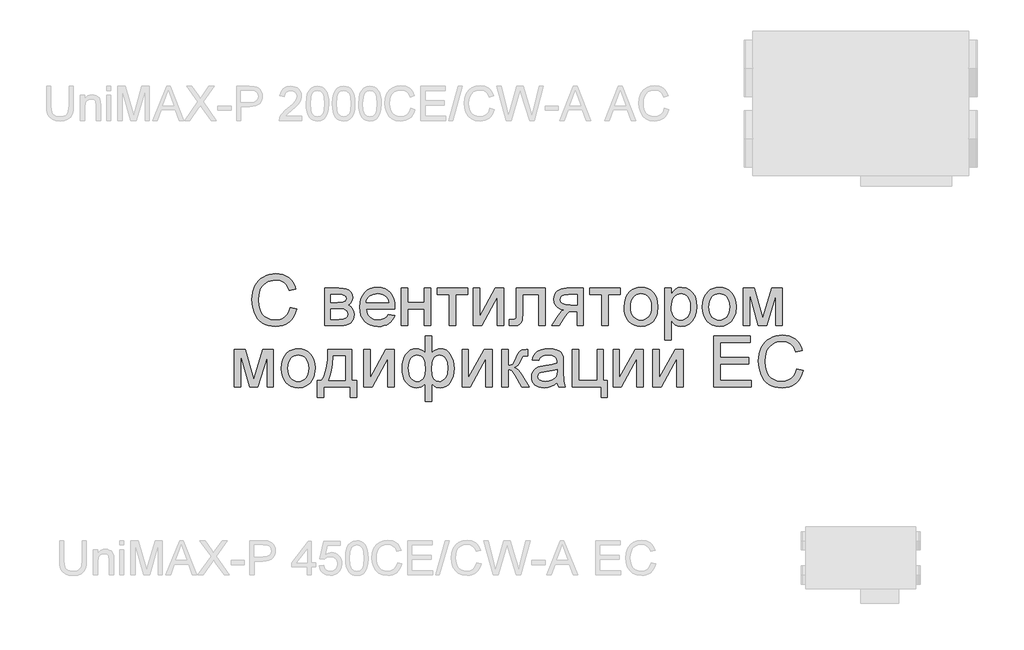
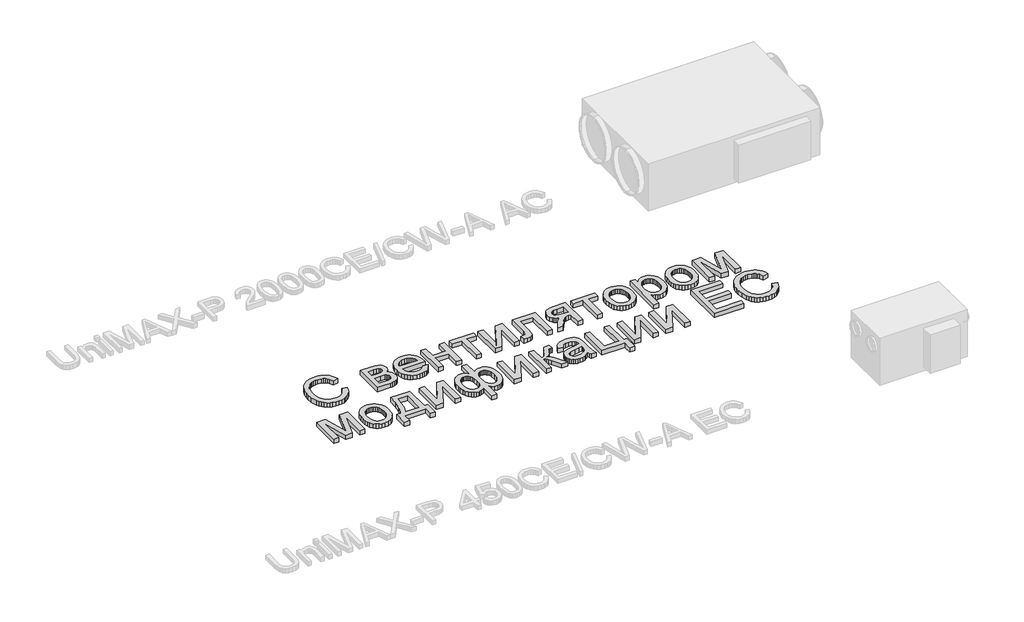
# One storey, part 10 of 74: 1 proxy.
"""IFC4 building model written with IfcOpenShell, lengths in millimetres."""

from ifc_helpers import new_model, si_unit, origin, origin_with_axes, place, context, project, spatial, polyline, outline, extrude, element, save

model = new_model("IFC4")

# Units and contexts
model_context = context("Model", 3, world=origin())
ifc_project = project(units=[si_unit("LENGTHUNIT", "METRE", prefix="MILLI")], contexts=[model_context])

# Site, building, storey
site = spatial("IfcSite", under=ifc_project)
building = spatial("IfcBuilding", under=site)
storey = spatial("IfcBuildingStorey", under=building, Elevation=0.0)

# Proxy
placement = place(None, origin())
element("IfcBuildingElementProxy", 1, Name="Generic Models", at=placement, inside=storey, context=model_context, shape_type="SweptSolid", body=[
    extrude(outline(polyline([(36462.4111042, -35678.9298031), (36518.6181221, -35693.4206749), (36507.4961035, -35728.3751002), (36492.6827549, -35758.9177687), (36474.1780763, -35785.0486803), (36451.9820677, -35806.7678349), (36426.5955972, -35823.8419516), (36398.5195331, -35836.0377492), (36367.7538754, -35843.3552278), (36334.2986241, -35845.7943874), (36300.0234583, -35843.9487223), (36269.1034234, -35838.4117273), (36241.5385193, -35829.1834022), (36217.3287461, -35816.2637471), (36196.1413351, -35799.8448758), (36177.6435177, -35780.1189021), (36161.8352939, -35757.0858261), (36148.7166637, -35730.7456477), (36131.0559138, -35672.699826), (36125.1689971, -35610.5372794), (36126.8328401, -35576.6360495), (36131.8243691, -35544.9715735), (36140.1435841, -35515.5438514), (36151.790485, -35488.3528832), (36166.5043461, -35463.848078), (36184.0244413, -35442.4788449), (36204.3507707, -35424.2451841), (36227.4833343, -35409.1470953), (36252.6365237, -35397.3080805), (36279.0247305, -35388.8516414), (36306.6479549, -35383.7777779), (36335.5061967, -35382.0864901), (36367.6543879, -35384.2752155), (36397.1335691, -35390.8413918), (36423.9437402, -35401.7850189), (36448.0849014, -35417.1060969), (36469.1591025, -35436.3998145), (36486.7683934, -35459.2613603), (36500.9127742, -35485.6907344), (36511.5922448, -35515.6879368), (36455.385227, -35529.0810153), (36435.8993956, -35488.0921573), (36423.4806087, -35472.4245883), (36409.2779076, -35459.9749259), (36393.208958, -35450.4893056), (36375.1914251, -35443.7138624), (36333.3106101, -35438.2935079), (36308.0956698, -35439.7961125), (36285.0351489, -35444.3039263), (36264.1290474, -35451.8169494), (36245.3773653, -35462.3351816), (36229.0168143, -35475.3851996), (36215.284106, -35490.4935802), (36204.1792405, -35507.6603232), (36195.7022177, -35526.8854286), (36184.9575656, -35568.0252332), (36181.3760149, -35610.4275001), (36185.6162416, -35662.353124), (36198.3369217, -35707.2528707), (36207.9975029, -35726.6392146), (36220.0183397, -35743.4114381), (36234.3994322, -35757.5695413), (36251.1407803, -35769.1135241), (36288.4520306, -35784.4689082), (36328.6998781, -35789.5873695), (36353.1360713, -35787.8446226), (36375.61682, -35782.6163819), (36396.1421245, -35773.9026475), (36414.7119846, -35761.7034192), (36430.887283, -35746.0735869), (36444.2289024, -35727.0680401), (36454.7368428, -35704.6867788), (36462.4111042, -35678.9298031)])), origin_with_axes(), (0.0, 0.0, 1.0), 50.0),
    extrude(outline(polyline([(36764.5238252, -35508.5522802), (36888.3549114, -35508.5522802), (36928.1636415, -35510.4322513), (36956.253428, -35516.0721645), (36976.9193872, -35526.7207596), (36994.4566355, -35543.6267767), (37006.4363051, -35565.6512552), (37010.4295283, -35591.6552344), (37008.014383, -35612.6093643), (37000.7689471, -35630.6817868), (36988.6657757, -35645.9548363), (36971.6774242, -35658.5108474), (36992.4806075, -35670.1886238), (37009.4415143, -35688.974612), (37020.7213406, -35713.3867909), (37024.4812827, -35741.9431395), (37021.359433, -35764.9487707), (37014.9579257, -35784.7845237), (37005.2767609, -35801.4503985), (36992.3159385, -35814.9463951), (36976.054875, -35825.3685704), (36956.4729867, -35832.8129814), (36933.5702736, -35837.2796279), (36907.3467358, -35838.7685101), (36764.5238252, -35838.7685101), (36764.5238252, -35508.5522802)]), holes=[polyline([(36820.730843, -35635.0180704), (36876.2791849, -35635.0180704), (36922.1120559, -35632.1638078), (36944.3972602, -35620.7467573), (36951.7661979, -35611.3057348), (36954.2225104, -35600.1082429), (36949.9136716, -35583.33945), (36936.9871553, -35572.5536306), (36913.6316025, -35566.7078812), (36878.0356542, -35564.7592981), (36820.730843, -35564.7592981), (36820.730843, -35635.0180704)]), polyline([(36820.730843, -35782.5614923), (36889.6722633, -35782.5614923), (36927.2442396, -35780.0228452), (36950.8193511, -35772.4069041), (36963.4714191, -35758.5609859), (36968.2742649, -35737.3324076), (36965.872842, -35723.2669307), (36958.6685733, -35710.2718023), (36947.6083057, -35700.1034917), (36933.6388857, -35694.5184682), (36884.1832968, -35691.2250883), (36820.730843, -35691.2250883), (36820.730843, -35782.5614923)])]), origin_with_axes(), (0.0, 0.0, 1.0), 50.0),
    extrude(outline(polyline([(37325.9353277, -35740.4062289), (37381.0445522, -35747.4321061), (37372.5949743, -35769.504613), (37361.1882156, -35788.9561383), (37346.8242762, -35805.7866821), (37329.503156, -35819.9962444), (37309.4032464, -35831.2829319), (37286.702939, -35839.3448516), (37261.4022336, -35844.1820034), (37233.5011304, -35845.7943874), (37198.6256089, -35843.0121674), (37167.5511968, -35834.6655076), (37140.2778941, -35820.7544079), (37116.8057007, -35801.2788683), (37097.9305169, -35776.7809243), (37084.4482427, -35747.8026114), (37076.3588782, -35714.3439294), (37073.6624233, -35676.4048785), (37076.386323, -35637.179351), (37084.558022, -35602.6057227), (37098.1775204, -35572.6839936), (37117.244818, -35547.4141637), (37140.6552605, -35527.3382684), (37167.3041933, -35512.9983432), (37197.1916164, -35504.394388), (37230.3175297, -35501.526403), (37262.3765252, -35504.3875268), (37291.3685606, -35512.9708983), (37317.2936359, -35527.2765175), (37340.1517511, -35547.3043843), (37358.8108069, -35572.5193246), (37372.1387039, -35602.386164), (37380.1354421, -35636.9049027), (37382.8010215, -35676.0755405), (37382.4716835, -35691.2250883), (37129.8694412, -35691.2250883), (37133.1250845, -35713.654378), (37139.5986345, -35733.2980171), (37149.2900911, -35750.1560058), (37162.1994544, -35764.2283439), (37177.6131587, -35775.3229176), (37194.8176383, -35783.2476131), (37213.8128933, -35788.0024304), (37234.5989237, -35789.5873695), (37264.5137916, -35786.6507724), (37289.7081482, -35777.840981), (37310.1819936, -35762.6090987), (37325.9353277, -35740.4062289)]), holes=[polyline([(37129.8694412, -35635.0180704), (37326.5940037, -35635.0180704), (37318.991785, -35605.3227612), (37304.0892407, -35584.0804605), (37288.7613015, -35572.5536306), (37271.3201101, -35564.3201808), (37251.7656667, -35559.3801108), (37230.0979711, -35557.7334209), (37192.2103792, -35562.9891064), (37160.8821024, -35578.7561629), (37148.4255789, -35590.1560604), (37139.1046275, -35603.3330108), (37132.9192483, -35618.2870141), (37129.8694412, -35635.0180704)])]), origin_with_axes(), (0.0, 0.0, 1.0), 50.0),
    extrude(outline(polyline([(37439.0080394, -35508.5522802), (37495.2150572, -35508.5522802), (37495.2150572, -35635.0180704), (37642.7584791, -35635.0180704), (37642.7584791, -35508.5522802), (37698.9654969, -35508.5522802), (37698.9654969, -35838.7685101), (37642.7584791, -35838.7685101), (37642.7584791, -35691.2250883), (37495.2150572, -35691.2250883), (37495.2150572, -35838.7685101), (37439.0080394, -35838.7685101), (37439.0080394, -35508.5522802)])), origin_with_axes(), (0.0, 0.0, 1.0), 50.0),
    extrude(outline(polyline([(37755.1725148, -35508.5522802), (38022.1558496, -35508.5522802), (38022.1558496, -35564.7592981), (37916.7676911, -35564.7592981), (37916.7676911, -35838.7685101), (37860.5606733, -35838.7685101), (37860.5606733, -35564.7592981), (37755.1725148, -35564.7592981), (37755.1725148, -35508.5522802)])), origin_with_axes(), (0.0, 0.0, 1.0), 50.0),
    extrude(outline(polyline([(38071.3369902, -35508.5522802), (38127.5440081, -35508.5522802), (38127.5440081, -35760.3860673), (38265.6464074, -35508.5522802), (38338.320325, -35508.5522802), (38338.320325, -35838.7685101), (38282.1133072, -35838.7685101), (38282.1133072, -35588.4716337), (38144.8891425, -35838.7685101), (38071.3369902, -35838.7685101), (38071.3369902, -35508.5522802)])), origin_with_axes(), (0.0, 0.0, 1.0), 50.0),
    extrude(outline(polyline([(38450.7343607, -35508.5522802), (38703.6659411, -35508.5522802), (38703.6659411, -35838.4391721), (38647.4589232, -35838.4391721), (38647.4589232, -35564.7592981), (38506.9413786, -35564.7592981), (38506.9413786, -35722.2926391), (38503.1539916, -35794.9665568), (38496.0595023, -35811.4197341), (38482.3508083, -35825.64988), (38461.5476249, -35835.4888526), (38433.1696676, -35838.7685101), (38387.5014656, -35835.9142475), (38387.5014656, -35782.5614923), (38412.6409326, -35782.5614923), (38438.0548479, -35779.1034433), (38444.4083267, -35774.6299356), (38448.2094361, -35768.1255101), (38450.7343607, -35719.1090385), (38450.7343607, -35508.5522802)])), origin_with_axes(), (0.0, 0.0, 1.0), 50.0),
    extrude(outline(polyline([(39040.9080482, -35508.5522802), (39040.9080482, -35838.7685101), (38984.7010303, -35838.7685101), (38984.7010303, -35712.30272), (38954.0725968, -35712.30272), (38929.6466954, -35714.0866341), (38912.3564507, -35719.4383765), (38895.6974371, -35734.9995968), (38873.1652293, -35767.4119445), (38828.3752619, -35838.7685101), (38763.3858975, -35838.7685101), (38819.812474, -35748.5298994), (38844.7323823, -35716.1449966), (38856.451326, -35706.703974), (38867.6762627, -35701.7639041), (38847.0377483, -35697.2012006), (38829.2534966, -35689.9900708), (38814.3235075, -35680.1305145), (38802.247781, -35667.6225319), (38786.2748882, -35637.872333), (38780.9505906, -35603.9505195), (38782.7688108, -35583.7099552), (38788.2234713, -35565.4728637), (38797.3145722, -35549.2392451), (38810.0421135, -35535.0090992), (38826.2139813, -35523.4342409), (38845.6380618, -35515.166485), (38868.314355, -35510.2058314), (38894.242861, -35508.5522802), (39040.9080482, -35508.5522802)]), holes=[polyline([(38984.7010303, -35564.7592981), (38910.5999814, -35564.7592981), (38872.3281619, -35568.0115108), (38859.3982149, -35572.0767767), (38850.6055766, -35577.7681489), (38840.5196005, -35591.8885154), (38837.1576085, -35608.2319135), (38842.1114008, -35629.6526056), (38856.9727778, -35644.5139826), (38884.4313332, -35653.2002722), (38927.1766605, -35656.0957021), (38984.7010303, -35656.0957021), (38984.7010303, -35564.7592981)])]), origin_with_axes(), (0.0, 0.0, 1.0), 50.0),
    extrude(outline(polyline([(39097.115066, -35508.5522802), (39364.0984008, -35508.5522802), (39364.0984008, -35564.7592981), (39258.7102423, -35564.7592981), (39258.7102423, -35838.7685101), (39202.5032245, -35838.7685101), (39202.5032245, -35564.7592981), (39097.115066, -35564.7592981), (39097.115066, -35508.5522802)])), origin_with_axes(), (0.0, 0.0, 1.0), 50.0),
    extrude(outline(polyline([(39399.227787, -35673.6603952), (39402.2673022, -35630.8944843), (39411.385848, -35594.0429348), (39426.5834242, -35563.1057469), (39447.8600309, -35538.0829205), (39469.280723, -35522.0894441), (39492.9244466, -35510.6655324), (39518.7912017, -35503.8111853), (39546.8809882, -35501.526403), (39577.8902188, -35504.3086229), (39605.9285462, -35512.6552828), (39630.9959705, -35526.5663825), (39653.0924916, -35546.041922), (39671.1271775, -35570.4232255), (39684.0090959, -35599.0516168), (39691.738247, -35631.9270961), (39694.3146307, -35669.0496632), (39689.7587884, -35725.8330226), (39684.0639856, -35749.140547), (39676.0912616, -35769.0586345), (39653.7100004, -35801.4298149), (39623.0129547, -35825.64988), (39586.5524942, -35840.7582605), (39546.8809882, -35845.7943874), (39515.4189178, -35843.0224592), (39487.1198645, -35834.7066748), (39461.9838281, -35820.8470342), (39440.0108087, -35801.4435373), (39422.1682367, -35776.8255222), (39409.4235424, -35747.3223268), (39401.7767258, -35712.9339511), (39399.227787, -35673.6603952)]), holes=[polyline([(39455.4348048, -35673.5506158), (39457.0609112, -35700.8136268), (39461.9392302, -35724.4196137), (39470.069762, -35744.3685766), (39481.4525065, -35760.6605156), (39495.2984247, -35773.3160142), (39510.8184777, -35782.355656), (39528.0126655, -35787.7794411), (39546.8809882, -35789.5873695), (39565.6532539, -35787.7691493), (39582.7788296, -35782.3144888), (39598.2577154, -35773.2233879), (39612.0899112, -35760.4958466), (39623.4726557, -35744.0426692), (39631.6031874, -35723.7746601), (39636.4815065, -35699.6918192), (39638.1076128, -35671.7941465), (39636.4712147, -35645.3956479), (39631.5620202, -35622.4071697), (39623.3800294, -35602.828712), (39611.9252422, -35586.6602748), (39598.0415874, -35574.0047762), (39582.5729934, -35564.9651343), (39565.5194603, -35559.5413492), (39546.8809882, -35557.7334209), (39528.0126655, -35559.534488), (39510.8184777, -35564.9376895), (39495.2984247, -35573.9430253), (39481.4525065, -35586.5504954), (39470.069762, -35602.7944059), (39461.9392302, -35622.7090628), (39457.0609112, -35646.2944661), (39455.4348048, -35673.5506158)])]), origin_with_axes(), (0.0, 0.0, 1.0), 50.0),
    extrude(outline(polyline([(39757.5475258, -35965.2343003), (39757.5475258, -35508.5522802), (39813.7545436, -35508.5522802), (39813.7545436, -35563.6615048), (39832.087692, -35536.4773978), (39852.6164271, -35517.0601784), (39876.5483214, -35505.4098469), (39905.0909476, -35501.526403), (39943.1020413, -35506.9604799), (39976.3377339, -35523.2627107), (40003.3983392, -35549.4450813), (40022.8841706, -35584.5195778), (40034.6580039, -35625.9338307), (40038.582615, -35671.1354706), (40034.1502745, -35719.2050954), (40020.853253, -35762.1974262), (39999.1169453, -35797.9305987), (39969.3667464, -35824.2227487), (39934.7176448, -35840.4014777), (39898.2846291, -35845.7943874), (39872.4453189, -35842.1853918), (39849.3779368, -35831.3584052), (39829.6313795, -35815.0150072), (39813.7545436, -35794.8567774), (39813.7545436, -35965.2343003), (39757.5475258, -35965.2343003)]), holes=[polyline([(39813.7545436, -35676.2950991), (39815.2743013, -35703.3831492), (39819.8335741, -35726.6838124), (39827.4323622, -35746.1970886), (39838.0706656, -35761.9229779), (39850.8771108, -35774.0261492), (39864.9803243, -35782.6712716), (39880.3803062, -35787.858345), (39897.0770564, -35789.5873695), (39914.013949, -35787.7965942), (39929.6952404, -35782.4242681), (39944.1209307, -35773.4703914), (39957.2910199, -35760.9349639), (39968.2655225, -35744.6395944), (39976.1044529, -35724.4058913), (39980.8078111, -35700.2338547), (39982.3755972, -35672.1234845), (39980.8455478, -35645.2687155), (39976.2553994, -35622.0092196), (39968.6051523, -35602.3449968), (39957.8948062, -35586.2760471), (39945.0574856, -35573.7886481), (39931.0263148, -35564.8690774), (39915.8012937, -35559.517335), (39899.3824224, -35557.7334209), (39883.0150102, -35559.6305449), (39867.6150283, -35565.3219172), (39853.1824768, -35574.8075376), (39839.7173556, -35588.0874061), (39828.3586254, -35604.9831314), (39820.2452466, -35625.316322), (39815.3772194, -35649.0869779), (39813.7545436, -35676.2950991)])]), origin_with_axes(), (0.0, 0.0, 1.0), 50.0),
    extrude(outline(polyline([(40087.7637557, -35673.6603952), (40090.8032709, -35630.8944843), (40099.9218167, -35594.0429348), (40115.1193929, -35563.1057469), (40136.3959996, -35538.0829205), (40157.8166917, -35522.0894441), (40181.4604153, -35510.6655324), (40207.3271703, -35503.8111853), (40235.4169569, -35501.526403), (40266.4261875, -35504.3086229), (40294.4645149, -35512.6552828), (40319.5319392, -35526.5663825), (40341.6284603, -35546.041922), (40359.6631462, -35570.4232255), (40372.5450646, -35599.0516168), (40380.2742157, -35631.9270961), (40382.8505994, -35669.0496632), (40378.2947571, -35725.8330226), (40372.5999543, -35749.140547), (40364.6272303, -35769.0586345), (40342.2459691, -35801.4298149), (40311.5489234, -35825.64988), (40275.0884629, -35840.7582605), (40235.4169569, -35845.7943874), (40203.9548865, -35843.0224592), (40175.6558331, -35834.7066748), (40150.5197968, -35820.8470342), (40128.5467774, -35801.4435373), (40110.7042054, -35776.8255222), (40097.9595111, -35747.3223268), (40090.3126945, -35712.9339511), (40087.7637557, -35673.6603952)]), holes=[polyline([(40143.9707735, -35673.5506158), (40145.5968799, -35700.8136268), (40150.4751989, -35724.4196137), (40158.6057307, -35744.3685766), (40169.9884751, -35760.6605156), (40183.8343934, -35773.3160142), (40199.3544464, -35782.355656), (40216.5486342, -35787.7794411), (40235.4169569, -35789.5873695), (40254.1892226, -35787.7691493), (40271.3147983, -35782.3144888), (40286.7936841, -35773.2233879), (40300.6258799, -35760.4958466), (40312.0086244, -35744.0426692), (40320.1391561, -35723.7746601), (40325.0174752, -35699.6918192), (40326.6435815, -35671.7941465), (40325.0071834, -35645.3956479), (40320.0979889, -35622.4071697), (40311.9159981, -35602.828712), (40300.4612109, -35586.6602748), (40286.5775561, -35574.0047762), (40271.1089621, -35564.9651343), (40254.055429, -35559.5413492), (40235.4169569, -35557.7334209), (40216.5486342, -35559.534488), (40199.3544464, -35564.9376895), (40183.8343934, -35573.9430253), (40169.9884751, -35586.5504954), (40158.6057307, -35602.7944059), (40150.4751989, -35622.7090628), (40145.5968799, -35646.2944661), (40143.9707735, -35673.5506158)])]), origin_with_axes(), (0.0, 0.0, 1.0), 50.0),
    extrude(outline(polyline([(40446.0834945, -35508.5522802), (40542.7990857, -35508.5522802), (40617.339252, -35772.9009111), (40697.6977228, -35508.5522802), (40790.3514788, -35508.5522802), (40790.3514788, -35838.7685101), (40734.144461, -35838.7685101), (40734.144461, -35572.8829686), (40653.3468728, -35838.7685101), (40579.5751619, -35838.7685101), (40502.2905123, -35560.1485662), (40502.2905123, -35838.7685101), (40446.0834945, -35838.7685101), (40446.0834945, -35508.5522802)])), origin_with_axes(), (0.0, 0.0, 1.0), 50.0),
    extrude(outline(polyline([(35970.599698, -36048.9843634), (36067.3152893, -36048.9843634), (36141.8554555, -36313.3329943), (36222.2139263, -36048.9843634), (36314.8676823, -36048.9843634), (36314.8676823, -36379.2005933), (36258.6606645, -36379.2005933), (36258.6606645, -36113.3150518), (36177.8630763, -36379.2005933), (36104.0913654, -36379.2005933), (36026.8067158, -36100.5806493), (36026.8067158, -36379.2005933), (35970.599698, -36379.2005933), (35970.599698, -36048.9843634)])), origin_with_axes(), (0.0, 0.0, 1.0), 50.0),
    extrude(outline(polyline([(36385.1264547, -36214.0924784), (36388.1659699, -36171.3265674), (36397.2845156, -36134.475018), (36412.4820919, -36103.5378301), (36433.7586986, -36078.5150037), (36455.1793907, -36062.5215273), (36478.8231143, -36051.0976156), (36504.6898693, -36044.2432685), (36532.7796558, -36041.9584862), (36563.7888865, -36044.7407061), (36591.8272139, -36053.0873659), (36616.8946382, -36066.9984656), (36638.9911593, -36086.4740052), (36657.0258451, -36110.8553087), (36669.9077636, -36139.4837), (36677.6369147, -36172.3591793), (36680.2132984, -36209.4817464), (36675.6574561, -36266.2651058), (36669.9626533, -36289.5726301), (36661.9899293, -36309.4907176), (36639.608668, -36341.8618981), (36608.9116224, -36366.0819632), (36572.4511619, -36381.1903437), (36532.7796558, -36386.2264705), (36501.3175855, -36383.4545424), (36473.0185321, -36375.138758), (36447.8824958, -36361.2791174), (36425.9094764, -36341.8756205), (36408.0669044, -36317.2576054), (36395.3222101, -36287.75441), (36387.6753935, -36253.3660343), (36385.1264547, -36214.0924784)]), holes=[polyline([(36441.3334725, -36213.982699), (36442.9595789, -36241.2457099), (36447.8378979, -36264.8516969), (36455.9684297, -36284.8006598), (36467.3511741, -36301.0925988), (36481.1970923, -36313.7480974), (36496.7171454, -36322.7877392), (36513.9113332, -36328.2115243), (36532.7796558, -36330.0194527), (36551.5519216, -36328.2012325), (36568.6774973, -36322.746572), (36584.1563831, -36313.655471), (36597.9885789, -36300.9279298), (36609.3713234, -36284.4747524), (36617.5018551, -36264.2067433), (36622.3801742, -36240.1239024), (36624.0062805, -36212.2262297), (36622.3698824, -36185.827731), (36617.4606879, -36162.8392529), (36609.2786971, -36143.2607952), (36597.8239099, -36127.092358), (36583.940255, -36114.4368594), (36568.4716611, -36105.3972175), (36551.418128, -36099.9734324), (36532.7796558, -36098.165504), (36513.9113332, -36099.9665712), (36496.7171454, -36105.3697727), (36481.1970923, -36114.3751085), (36467.3511741, -36126.9825786), (36455.9684297, -36143.2264891), (36447.8378979, -36163.141146), (36442.9595789, -36186.7265493), (36441.3334725, -36213.982699)])]), origin_with_axes(), (0.0, 0.0, 1.0), 50.0),
    extrude(outline(polyline([(36792.6273341, -36048.9843634), (37003.403651, -36048.9843634), (37003.403651, -36322.9935754), (37045.5589144, -36322.9935754), (37045.5589144, -36470.5369973), (36989.3518966, -36470.5369973), (36989.3518966, -36379.2005933), (36757.4979479, -36379.2005933), (36757.4979479, -36470.5369973), (36701.2909301, -36470.5369973), (36701.2909301, -36322.9935754), (36736.4203162, -36322.9935754), (36750.1461633, -36301.7821502), (36761.9577333, -36276.8450889), (36779.8380419, -36215.794058), (36790.0612422, -36139.8404829), (36792.6273341, -36048.9843634)]), holes=[polyline([(36841.8084747, -36105.1913813), (36837.1977428, -36174.0092999), (36828.6349549, -36233.2489717), (36816.1201111, -36282.9103969), (36799.6532113, -36322.9935754), (36947.1966332, -36322.9935754), (36947.1966332, -36105.1913813), (36841.8084747, -36105.1913813)])]), origin_with_axes(), (0.0, 0.0, 1.0), 50.0),
    extrude(outline(polyline([(37108.7918095, -36048.9843634), (37164.9988274, -36048.9843634), (37164.9988274, -36300.8181504), (37303.1012267, -36048.9843634), (37375.7751443, -36048.9843634), (37375.7751443, -36379.2005933), (37319.5681264, -36379.2005933), (37319.5681264, -36128.9037169), (37182.3439618, -36379.2005933), (37108.7918095, -36379.2005933), (37108.7918095, -36048.9843634)])), origin_with_axes(), (0.0, 0.0, 1.0), 50.0),
    extrude(outline(polyline([(37649.7843563, -35929.5444505), (37705.9913742, -35929.5444505), (37705.9913742, -36080.7105903), (37723.0483378, -36063.6536266), (37741.7245467, -36051.5641777), (37761.9376661, -36044.3599091), (37783.6053617, -36041.9584862), (37809.6264939, -36045.0117238), (37832.8002248, -36054.1714368), (37853.1265542, -36069.4376252), (37870.6054821, -36090.8102888), (37884.653806, -36116.814268), (37894.688323, -36145.974403), (37900.7090333, -36178.2906938), (37902.7159367, -36213.7631404), (37900.5546561, -36250.5495083), (37894.0708143, -36283.6239626), (37883.2644113, -36312.9865032), (37868.1354472, -36338.6371302), (37849.7954376, -36359.4574666), (37829.3558982, -36374.3291355), (37806.8168292, -36383.2521368), (37782.1782304, -36386.2264705), (37747.8172996, -36380.7375039), (37728.6333614, -36370.5005813), (37705.9913742, -36350.7677464), (37705.9913742, -36505.6663835), (37649.7843563, -36505.6663835), (37649.7843563, -36350.7677464), (37632.6862254, -36366.2466322), (37613.8865148, -36377.3343447), (37593.4401143, -36384.0034391), (37571.4019135, -36386.2264705), (37547.0583466, -36383.3859303), (37524.3065801, -36374.8643097), (37503.146614, -36360.6616087), (37483.5784481, -36340.7778272), (37467.1527156, -36315.6040542), (37455.4200495, -36285.5313785), (37448.3804498, -36250.5598001), (37446.0339166, -36210.6893191), (37448.1574606, -36176.2940822), (37454.5280924, -36144.7942752), (37465.1458121, -36116.1898981), (37480.0106198, -36090.4809508), (37498.4638393, -36069.2523725), (37519.8467948, -36054.0891023), (37544.1594862, -36044.9911402), (37571.4019135, -36041.9584862), (37594.3046265, -36044.3599091), (37614.9294185, -36051.5641777), (37633.3860686, -36063.6536266), (37649.7843563, -36080.7105903), (37649.7843563, -35929.5444505)]), holes=[polyline([(37705.6620362, -36215.0804923), (37710.3413802, -36271.9873534), (37716.1905602, -36292.0735405), (37724.3794122, -36306.5815654), (37745.4707664, -36324.1599808), (37771.3100766, -36330.0194527), (37786.3258308, -36328.2183855), (37800.1957632, -36322.815184), (37812.9198739, -36313.8098482), (37824.4981628, -36301.2023781), (37834.1278686, -36284.8006598), (37841.0062298, -36264.4125795), (37846.5089188, -36211.6773331), (37841.4316247, -36161.6728475), (37835.0850071, -36142.1458488), (37826.1997424, -36126.269013), (37815.3247274, -36113.9737278), (37803.0088586, -36105.1913813), (37789.2521361, -36099.9219733), (37774.0545599, -36098.165504), (37758.0919589, -36099.994016), (37744.2357489, -36105.479552), (37732.4859298, -36114.622112), (37722.8425016, -36127.4216959), (37715.326048, -36143.8714427), (37709.9571525, -36163.964491), (37705.6620362, -36215.0804923)]), polyline([(37502.2409345, -36209.4817464), (37503.6474822, -36239.2936962), (37507.8671252, -36264.6184158), (37514.8998637, -36285.4559052), (37524.7456975, -36301.8061644), (37536.6773386, -36314.149478), (37549.9674989, -36322.9661306), (37564.6161785, -36328.2561222), (37580.6233773, -36330.0194527), (37596.9770672, -36328.266414), (37611.1283091, -36323.0072979), (37623.0771033, -36314.2421043), (37632.8234496, -36301.9708334), (37640.3879317, -36286.1934851), (37645.7911331, -36266.9100593), (37650.1136943, -36217.8249756), (37645.5715745, -36165.4739568), (37639.8939247, -36144.9074851), (37631.9452149, -36128.0803719), (37621.7048616, -36114.9926172), (37609.1522812, -36105.644221), (37594.2874735, -36100.0351833), (37577.1104387, -36098.165504), (37561.3022149, -36099.9905854), (37547.0309018, -36105.4658296), (37534.2964993, -36114.5912365), (37523.0990075, -36127.3668063), (37513.9736005, -36143.4494784), (37507.4554527, -36162.4961924), (37502.2409345, -36209.4817464)])]), origin_with_axes(), (0.0, 0.0, 1.0), 50.0),
    extrude(outline(polyline([(37972.974709, -36048.9843634), (38029.1817268, -36048.9843634), (38029.1817268, -36300.8181504), (38167.2841262, -36048.9843634), (38239.9580438, -36048.9843634), (38239.9580438, -36379.2005933), (38183.7510259, -36379.2005933), (38183.7510259, -36128.9037169), (38046.5268612, -36379.2005933), (37972.974709, -36379.2005933), (37972.974709, -36048.9843634)])), origin_with_axes(), (0.0, 0.0, 1.0), 50.0),
    extrude(outline(polyline([(38324.2685706, -36048.9843634), (38380.4755884, -36048.9843634), (38380.4755884, -36189.501908), (38403.3371342, -36186.9769834), (38418.1298992, -36179.4022095), (38431.2210845, -36159.6419298), (38448.9778914, -36120.5604877), (38463.2903718, -36088.6009798), (38474.6113654, -36069.7875468), (38485.1776261, -36059.5369017), (38497.2259077, -36053.2657574), (38538.3382675, -36048.9843634), (38549.096642, -36048.9843634), (38549.096642, -36105.5207193), (38533.9470942, -36105.1913813), (38516.3824011, -36106.6734022), (38506.5022612, -36111.1194652), (38487.1810989, -36148.1151), (38475.3112086, -36172.7742824), (38464.5116669, -36188.1296664), (38451.434204, -36198.3803115), (38432.7305503, -36207.7252771), (38450.5422469, -36215.6362502), (38468.1892745, -36229.598809), (38485.671633, -36249.6129534), (38502.9893226, -36275.6786835), (38563.1483964, -36379.2005933), (38499.2568254, -36379.2005933), (38440.3053242, -36277.8742701), (38424.3873211, -36250.9097217), (38410.6649046, -36235.0054411), (38396.805264, -36227.2248309), (38380.4755884, -36224.6312942), (38380.4755884, -36379.2005933), (38324.2685706, -36379.2005933), (38324.2685706, -36048.9843634)])), origin_with_axes(), (0.0, 0.0, 1.0), 50.0),
    extrude(outline(polyline([(38809.0540995, -36337.0453299), (38782.1993305, -36360.0715447), (38754.5486613, -36375.138758), (38725.4708608, -36383.4545424), (38694.3346979, -36386.2264705), (38669.3084408, -36384.5591969), (38647.3628663, -36379.5573761), (38628.4979742, -36371.2210081), (38612.7137647, -36359.5500929), (38600.2503799, -36345.285641), (38591.3479623, -36329.1686629), (38586.0065117, -36311.1991585), (38584.2260281, -36291.3771279), (38586.9156217, -36268.0764647), (38594.9844026, -36246.9164985), (38607.4306344, -36228.8029088), (38623.2525806, -36214.641375), (38641.8464549, -36203.9378902), (38662.608471, -36196.1984473), (38711.2407149, -36187.7454387), (38768.7101951, -36178.8533129), (38808.7247615, -36168.4242764), (38809.0540995, -36155.9094325), (38805.1843781, -36130.8248552), (38793.5752138, -36114.4128451), (38767.6124018, -36102.2273393), (38731.440112, -36098.165504), (38697.9574158, -36100.8688201), (38674.5744181, -36108.9787682), (38658.6289702, -36123.9773694), (38647.4589232, -36147.3466447), (38591.2519054, -36140.3207674), (38601.0085435, -36109.5825545), (38615.5680273, -36085.4311016), (38636.2888762, -36066.960729), (38664.5296093, -36053.2657574), (38699.0689315, -36044.785304), (38738.6855479, -36041.9584862), (38776.6829191, -36044.455966), (38806.8036232, -36051.9484054), (38829.5142225, -36063.2145093), (38845.281279, -36077.0329827), (38855.7377604, -36094.1173912), (38862.5166341, -36115.1813005), (38865.2611174, -36164.3624411), (38865.2611174, -36234.2918754), (38868.11538, -36331.940591), (38879.3128718, -36379.2005933), (38823.105854, -36379.2005933), (38814.1039488, -36359.6598722), (38809.0540995, -36337.0453299)]), holes=[polyline([(38809.0540995, -36224.6312942), (38771.2900094, -36233.9899822), (38718.3763715, -36241.8666493), (38670.0185759, -36250.9783338), (38657.43512, -36257.2083109), (38648.1175992, -36265.7985436), (38642.3541843, -36276.090356), (38640.433046, -36287.425072), (38644.618383, -36304.1389752), (38657.1743941, -36317.8339469), (38677.8266308, -36326.9730762), (38706.300645, -36330.0194527), (38736.4899612, -36326.6574606), (38763.1663389, -36316.5714845), (38784.7928672, -36301.7101075), (38799.8326357, -36284.0219127), (38806.5017301, -36265.7985436), (38808.7247615, -36240.5492973), (38809.0540995, -36224.6312942)])]), origin_with_axes(), (0.0, 0.0, 1.0), 50.0),
    extrude(outline(polyline([(38942.5457669, -36048.9843634), (38998.7527848, -36048.9843634), (38998.7527848, -36322.9935754), (39160.3479611, -36322.9935754), (39160.3479611, -36048.9843634), (39216.554979, -36048.9843634), (39216.554979, -36322.9935754), (39251.6843651, -36322.9935754), (39251.6843651, -36470.5369973), (39195.4773473, -36470.5369973), (39195.4773473, -36379.2005933), (38942.5457669, -36379.2005933), (38942.5457669, -36048.9843634)])), origin_with_axes(), (0.0, 0.0, 1.0), 50.0),
    extrude(outline(polyline([(39300.8655057, -36048.9843634), (39357.0725236, -36048.9843634), (39357.0725236, -36300.8181504), (39495.1749229, -36048.9843634), (39567.8488405, -36048.9843634), (39567.8488405, -36379.2005933), (39511.6418227, -36379.2005933), (39511.6418227, -36128.9037169), (39374.417658, -36379.2005933), (39300.8655057, -36379.2005933), (39300.8655057, -36048.9843634)])), origin_with_axes(), (0.0, 0.0, 1.0), 50.0),
    extrude(outline(polyline([(39652.1593673, -36048.9843634), (39708.3663852, -36048.9843634), (39708.3663852, -36300.8181504), (39846.4687845, -36048.9843634), (39919.1427021, -36048.9843634), (39919.1427021, -36379.2005933), (39862.9356843, -36379.2005933), (39862.9356843, -36128.9037169), (39725.7115196, -36379.2005933), (39652.1593673, -36379.2005933), (39652.1593673, -36048.9843634)])), origin_with_axes(), (0.0, 0.0, 1.0), 50.0),
    extrude(outline(polyline([(40186.1260369, -36379.2005933), (40186.1260369, -35929.5444505), (40509.3163896, -35929.5444505), (40509.3163896, -35985.7514683), (40242.3330548, -35985.7514683), (40242.3330548, -36119.2431357), (40495.2646351, -36119.2431357), (40495.2646351, -36175.4501536), (40242.3330548, -36175.4501536), (40242.3330548, -36322.9935754), (40516.3422668, -36322.9935754), (40516.3422668, -36379.2005933), (40186.1260369, -36379.2005933)])), origin_with_axes(), (0.0, 0.0, 1.0), 50.0),
    extrude(outline(polyline([(40916.817269, -36219.3618863), (40973.0242868, -36233.8527581), (40961.9022683, -36268.8071834), (40947.0889197, -36299.3498519), (40928.5842411, -36325.4807634), (40906.3882325, -36347.1999181), (40881.001762, -36364.2740348), (40852.9256979, -36376.4698324), (40822.1600402, -36383.787311), (40788.7047888, -36386.2264705), (40754.4296231, -36384.3808055), (40723.5095882, -36378.8438105), (40695.9446841, -36369.6154854), (40671.7349109, -36356.6958303), (40650.5474998, -36340.276959), (40632.0496824, -36320.5509853), (40616.2414587, -36297.5179093), (40603.1228285, -36271.1777309), (40585.4620785, -36213.1319092), (40579.5751619, -36150.9693626), (40581.2390049, -36117.0681327), (40586.2305339, -36085.4036567), (40594.5497488, -36055.9759346), (40606.1966498, -36028.7849664), (40620.9105109, -36004.2801612), (40638.4306061, -35982.9109281), (40658.7569355, -35964.6772672), (40681.8894991, -35949.5791785), (40707.0426884, -35937.7401637), (40733.4308953, -35929.2837246), (40761.0541197, -35924.2098611), (40789.9123615, -35922.5185732), (40822.0605527, -35924.7072987), (40851.5397338, -35931.273475), (40878.349905, -35942.2171021), (40902.4910662, -35957.5381801), (40923.5652673, -35976.8318976), (40941.1745582, -35999.6934435), (40955.318939, -36026.1228176), (40965.9984096, -36056.12002), (40909.7913918, -36069.5130985), (40890.3055604, -36028.5242405), (40877.8867735, -36012.8566715), (40863.6840724, -36000.4070091), (40847.6151227, -35990.9213887), (40829.5975899, -35984.1459456), (40787.7167749, -35978.7255911), (40762.5018346, -35980.2281957), (40739.4413137, -35984.7360095), (40718.5352122, -35992.2490325), (40699.7835301, -36002.7672648), (40683.4229791, -36015.8172828), (40669.6902708, -36030.9256633), (40658.5854053, -36048.0924063), (40650.1083825, -36067.3175118), (40639.3637304, -36108.4573164), (40635.7821797, -36150.8595833), (40640.0224064, -36202.7852072), (40652.7430865, -36247.6849539), (40662.4036677, -36267.0712977), (40674.4245045, -36283.8435213), (40688.805597, -36298.0016245), (40705.546945, -36309.5456073), (40742.8581954, -36324.9009913), (40783.1060429, -36330.0194527), (40807.542236, -36328.2767058), (40830.0229848, -36323.0484651), (40850.5482893, -36314.3347307), (40869.1181493, -36302.1355024), (40885.2934478, -36286.5056701), (40898.6350672, -36267.5001233), (40909.1430076, -36245.118862), (40916.817269, -36219.3618863)])), origin_with_axes(), (0.0, 0.0, 1.0), 50.0),
])

save(model, "model.ifc")
